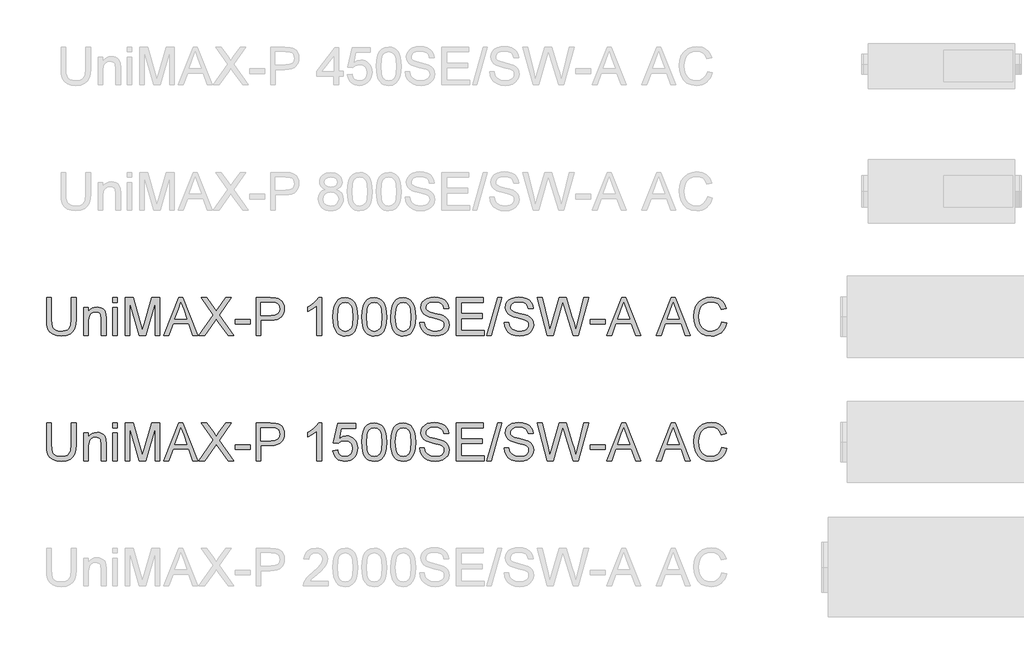
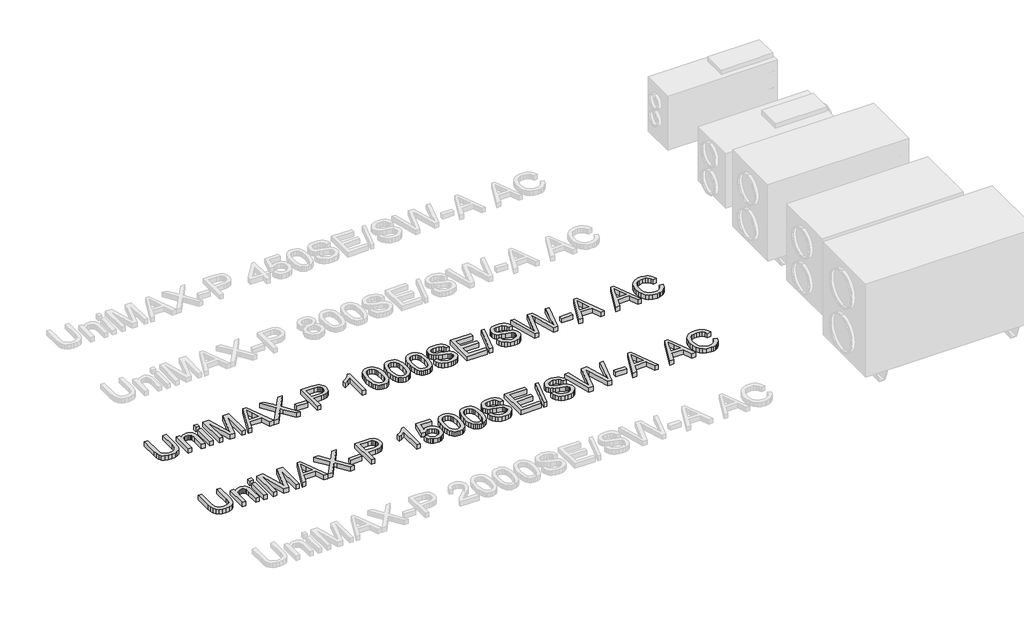
# One storey, part 23 of 74: 2 proxies.
"""IFC4 building model written with IfcOpenShell, lengths in millimetres."""

from ifc_helpers import new_model, si_unit, origin, origin_with_axes, place, context, project, spatial, polyline, outline, extrude, element, save

model = new_model("IFC4")

# Units and contexts
model_context = context("Model", 3, world=origin())
ifc_project = project(units=[si_unit("LENGTHUNIT", "METRE", prefix="MILLI")], contexts=[model_context])

# Site, building, storey
site = spatial("IfcSite", under=ifc_project)
building = spatial("IfcBuilding", under=site)
storey = spatial("IfcBuildingStorey", under=building, Elevation=0.0)

# Proxies
placement = place(None, origin())
element("IfcBuildingElementProxy", 1, Name="Generic Models", at=placement, inside=storey, context=model_context, shape_type="SweptSolid", body=[
    extrude(outline(polyline([(23020.9746871, -29731.9528304), (23058.6458034, -29731.9528304), (23058.6458034, -29905.8138613), (23056.0890235, -29946.5292011), (23048.4186839, -29977.8819441), (23034.0896802, -30002.0701853), (23011.556908, -30021.2920196), (22980.765185, -30033.8459926), (22941.6593289, -30038.0306503), (22903.4087985, -30034.3886186), (22872.8286076, -30023.4625233), (22849.9095594, -30005.6294436), (22834.6424566, -29981.2664585), (22826.061609, -29948.5893403), (22823.2013265, -29905.8138613), (22823.2013265, -29731.9528304), (22860.8724428, -29731.9528304), (22860.8724428, -29904.4894861), (22862.7302469, -29938.3438267), (22868.3036591, -29961.9158655), (22878.4020199, -29978.2406291), (22893.8346696, -29990.3531438), (22913.9578147, -29997.8579365), (22938.1276618, -30000.359534), (22976.4425716, -29995.4115212), (22990.7853709, -29989.2265052), (23001.9183998, -29980.5674827), (23010.2555255, -29968.3905887), (23016.2106153, -29951.6519579), (23020.9746871, -29904.4894861), (23020.9746871, -29731.9528304)])), origin_with_axes(), (0.0, 0.0, 1.0), 50.0),
    extrude(outline(polyline([(23119.8613674, -30033.3217608), (23119.8613674, -29812.0039525), (23157.5324837, -29812.0039525), (23157.5324837, -29842.9060401), (23170.6198857, -29827.3262376), (23186.3376439, -29816.1978072), (23204.6857584, -29809.520749), (23225.6642292, -29807.295063), (23244.2330729, -29809.0884877), (23261.2384182, -29814.4687619), (23275.4202691, -29822.7645009), (23285.5186298, -29833.30432), (23296.8126071, -29861.0058343), (23298.7991699, -29897.4261518), (23298.7991699, -30033.3217608), (23261.1280536, -30033.3217608), (23261.1280536, -29902.5029233), (23256.787046, -29869.1728146), (23250.7813724, -29859.2491977), (23241.4463668, -29851.551267), (23229.4810049, -29846.6124512), (23215.5842626, -29844.9661793), (23193.5205399, -29848.6633933), (23174.7125729, -29859.7550355), (23167.1962839, -29868.8095311), (23161.827506, -29881.1841617), (23157.5324837, -29915.8938279), (23157.5324837, -30033.3217608), (23119.8613674, -30033.3217608)])), origin_with_axes(), (0.0, 0.0, 1.0), 50.0),
    extrude(outline(polyline([(23350.5969548, -30033.3217608), (23350.5969548, -29812.0039525), (23388.2680711, -29812.0039525), (23388.2680711, -30033.3217608), (23350.5969548, -30033.3217608)])), origin_with_axes(), (0.0, 0.0, 1.0), 50.0),
    extrude(outline(polyline([(23350.5969548, -29769.6239467), (23350.5969548, -29731.9528304), (23388.2680711, -29731.9528304), (23388.2680711, -29769.6239467), (23350.5969548, -29769.6239467)])), origin_with_axes(), (0.0, 0.0, 1.0), 50.0),
    extrude(outline(polyline([(23449.4836351, -30033.3217608), (23449.4836351, -29731.9528304), (23514.3044426, -29731.9528304), (23575.961465, -29944.3678944), (23588.3958765, -29988.734463), (23601.8603575, -29940.6890744), (23662.4873103, -29731.9528304), (23727.3081178, -29731.9528304), (23727.3081178, -30033.3217608), (23689.6370015, -30033.3217608), (23689.6370015, -29769.6239467), (23613.9268869, -30033.3217608), (23562.864866, -30033.3217608), (23487.1547514, -29769.6239467), (23487.1547514, -30033.3217608), (23449.4836351, -30033.3217608)])), origin_with_axes(), (0.0, 0.0, 1.0), 50.0),
    extrude(outline(polyline([(23758.136629, -30033.3217608), (23878.4340415, -29731.9528304), (23910.5133514, -29731.9528304), (24030.8107639, -30033.3217608), (23991.005932, -30033.3217608), (23956.4986008, -29939.14397), (23832.3752157, -29939.14397), (23797.9414609, -30033.3217608), (23758.136629, -30033.3217608)]), holes=[polyline([(23846.2075787, -29901.4728537), (23942.7398142, -29901.4728537), (23915.590123, -29827.3814199), (23894.4736965, -29769.6239467), (23875.7117147, -29820.9066968), (23846.2075787, -29901.4728537)])]), origin_with_axes(), (0.0, 0.0, 1.0), 50.0),
    extrude(outline(polyline([(24038.0948274, -30033.3217608), (24154.2719614, -29869.0992382), (24056.9303855, -29731.9528304), (24102.1062945, -29731.9528304), (24156.9207118, -29809.1344729), (24175.388388, -29839.2272201), (24197.0198493, -29808.6194381), (24251.2456554, -29731.9528304), (24297.083752, -29731.9528304), (24199.7421761, -29869.5406965), (24315.9193101, -30033.3217608), (24270.7434011, -30033.3217608), (24193.3410293, -29924.1343846), (24177.2277979, -29901.4728537), (24159.4958858, -29926.3416766), (24083.932924, -30033.3217608), (24038.0948274, -30033.3217608)])), origin_with_axes(), (0.0, 0.0, 1.0), 50.0),
    extrude(outline(polyline([(24330.0459787, -29943.8528596), (24330.0459787, -29906.1817433), (24447.7682172, -29906.1817433), (24447.7682172, -29943.8528596), (24330.0459787, -29943.8528596)])), origin_with_axes(), (0.0, 0.0, 1.0), 50.0),
    extrude(outline(polyline([(24494.8571126, -30033.3217608), (24494.8571126, -29731.9528304), (24606.5460863, -29731.9528304), (24651.5748425, -29734.8223099), (24671.6520024, -29740.18419), (24688.179101, -29748.9121903), (24701.4872322, -29761.4017841), (24711.9074897, -29778.0484443), (24718.6397302, -29797.6841458), (24720.8838104, -29819.1408632), (24719.3685965, -29837.640729), (24714.8229545, -29854.6598698), (24707.2468847, -29870.1982856), (24696.6403869, -29884.2559764), (24682.0791577, -29895.9086386), (24662.6388935, -29904.2319687), (24638.3195944, -29909.2259668), (24609.1212603, -29910.8906328), (24532.5282289, -29910.8906328), (24532.5282289, -30033.3217608), (24494.8571126, -30033.3217608)]), holes=[polyline([(24532.5282289, -29873.2195165), (24611.3285523, -29873.2195165), (24644.7322374, -29869.7614257), (24666.8051571, -29859.3871535), (24679.1108099, -29842.7404932), (24683.2126941, -29820.4652384), (24680.79387, -29803.5426666), (24673.5373976, -29789.2688452), (24662.3445879, -29778.5266909), (24648.1167518, -29772.1991206), (24610.4456355, -29769.6239467), (24532.5282289, -29769.6239467), (24532.5282289, -29873.2195165)])]), origin_with_axes(), (0.0, 0.0, 1.0), 50.0),
    extrude(outline(polyline([(25017.5438513, -30033.3217608), (24979.872735, -30033.3217608), (24979.872735, -29798.4658951), (24944.1881815, -29823.8865409), (24904.5305024, -29842.9060401), (24904.5305024, -29807.295063), (24934.1174119, -29791.2002257), (24959.7495899, -29772.0519678), (24979.9555085, -29751.6896994), (24993.2636396, -29731.9528304), (25017.5438513, -29731.9528304), (25017.5438513, -30033.3217608)])), origin_with_axes(), (0.0, 0.0, 1.0), 50.0),
    extrude(outline(polyline([(25107.0127526, -29885.0653167), (25109.7810646, -29836.8267901), (25118.0860006, -29798.3555305), (25131.8447872, -29769.0629266), (25150.974651, -29748.3603673), (25175.6135476, -29736.0547146), (25205.8994329, -29731.9528304), (25229.1127868, -29734.3808515), (25249.8981195, -29741.664915), (25267.2805438, -29753.5199123), (25280.2851723, -29769.6607349), (25290.1076216, -29789.9494269), (25297.9435081, -29814.2480327), (25303.0754619, -29845.104135), (25304.7861132, -29885.0653167), (25302.0453923, -29933.0279319), (25293.8232297, -29971.407221), (25280.1472165, -30000.727416), (25261.0449439, -30021.5127488), (25236.350865, -30033.9011749), (25205.8994329, -30038.0306503), (25185.1508883, -30036.2372256), (25166.7567886, -30030.8569514), (25150.7171336, -30021.8898278), (25137.0319234, -30009.3358547), (25123.8985361, -29986.6421341), (25114.5175453, -29958.3658043), (25108.8889507, -29924.5068652), (25107.0127526, -29885.0653167)]), holes=[polyline([(25144.6838689, -29884.9917403), (25149.0984528, -29944.2483327), (25154.6166827, -29964.5163314), (25162.3422046, -29978.5441317), (25182.0606796, -29994.9056835), (25205.8994329, -30000.359534), (25229.7381861, -29994.8872894), (25249.4566611, -29978.4705553), (25257.182183, -29964.4197624), (25262.7004129, -29944.1563622), (25267.1149969, -29884.9917403), (25262.8475657, -29827.0687202), (25257.5132768, -29806.8674001), (25250.0452723, -29792.5062068), (25230.3635855, -29775.3445117), (25205.4579745, -29769.6239467), (25181.8767386, -29774.66393), (25162.9308158, -29789.78388), (25154.9477765, -29805.4188648), (25149.2456056, -29826.4985031), (25144.6838689, -29884.9917403)])]), origin_with_axes(), (0.0, 0.0, 1.0), 50.0),
    extrude(outline(polyline([(25337.7483399, -29885.0653167), (25340.5166519, -29836.8267901), (25348.821588, -29798.3555305), (25362.5803746, -29769.0629266), (25381.7102384, -29748.3603673), (25406.349135, -29736.0547146), (25436.6350202, -29731.9528304), (25459.8483741, -29734.3808515), (25480.6337069, -29741.664915), (25498.0161311, -29753.5199123), (25511.0207597, -29769.6607349), (25520.8432089, -29789.9494269), (25528.6790954, -29814.2480327), (25533.8110493, -29845.104135), (25535.5217005, -29885.0653167), (25532.7809797, -29933.0279319), (25524.5588171, -29971.407221), (25510.8828039, -30000.727416), (25491.7805313, -30021.5127488), (25467.0864524, -30033.9011749), (25436.6350202, -30038.0306503), (25415.8864757, -30036.2372256), (25397.4923759, -30030.8569514), (25381.452721, -30021.8898278), (25367.7675107, -30009.3358547), (25354.6341235, -29986.6421341), (25345.2531326, -29958.3658043), (25339.6245381, -29924.5068652), (25337.7483399, -29885.0653167)]), holes=[polyline([(25375.4194562, -29884.9917403), (25379.8340402, -29944.2483327), (25385.3522701, -29964.5163314), (25393.077792, -29978.5441317), (25412.7962669, -29994.9056835), (25436.6350202, -30000.359534), (25460.4737735, -29994.8872894), (25480.1922485, -29978.4705553), (25487.9177704, -29964.4197624), (25493.4360003, -29944.1563622), (25497.8505842, -29884.9917403), (25493.5831531, -29827.0687202), (25488.2488642, -29806.8674001), (25480.7808597, -29792.5062068), (25461.0991729, -29775.3445117), (25436.1935618, -29769.6239467), (25412.612326, -29774.66393), (25393.6664032, -29789.78388), (25385.6833639, -29805.4188648), (25379.981193, -29826.4985031), (25375.4194562, -29884.9917403)])]), origin_with_axes(), (0.0, 0.0, 1.0), 50.0),
    extrude(outline(polyline([(25568.4839273, -29885.0653167), (25571.2522393, -29836.8267901), (25579.5571754, -29798.3555305), (25593.315962, -29769.0629266), (25612.4458257, -29748.3603673), (25637.0847224, -29736.0547146), (25667.3706076, -29731.9528304), (25690.5839615, -29734.3808515), (25711.3692942, -29741.664915), (25728.7517185, -29753.5199123), (25741.756347, -29769.6607349), (25751.5787963, -29789.9494269), (25759.4146828, -29814.2480327), (25764.5466366, -29845.104135), (25766.2572879, -29885.0653167), (25763.5165671, -29933.0279319), (25755.2944045, -29971.407221), (25741.6183913, -30000.727416), (25722.5161187, -30021.5127488), (25697.8220398, -30033.9011749), (25667.3706076, -30038.0306503), (25646.6220631, -30036.2372256), (25628.2279633, -30030.8569514), (25612.1883083, -30021.8898278), (25598.5030981, -30009.3358547), (25585.3697109, -29986.6421341), (25575.98872, -29958.3658043), (25570.3601255, -29924.5068652), (25568.4839273, -29885.0653167)]), holes=[polyline([(25606.1550436, -29884.9917403), (25610.5696276, -29944.2483327), (25616.0878575, -29964.5163314), (25623.8133794, -29978.5441317), (25643.5318543, -29994.9056835), (25667.3706076, -30000.359534), (25691.2093609, -29994.8872894), (25710.9278358, -29978.4705553), (25718.6533577, -29964.4197624), (25724.1715877, -29944.1563622), (25728.5861716, -29884.9917403), (25724.3187405, -29827.0687202), (25718.9844515, -29806.8674001), (25711.516447, -29792.5062068), (25691.8347603, -29775.3445117), (25666.9291492, -29769.6239467), (25643.3479133, -29774.66393), (25624.4019906, -29789.78388), (25616.4189513, -29805.4188648), (25610.7167804, -29826.4985031), (25606.1550436, -29884.9917403)])]), origin_with_axes(), (0.0, 0.0, 1.0), 50.0),
    extrude(outline(polyline([(25799.2195147, -29929.726191), (25836.890631, -29929.726191), (25841.2132444, -29950.6310853), (25849.0307368, -29967.4340955), (25861.226025, -29980.7698178), (25878.6820256, -29991.2728488), (25900.0191814, -29998.0878627), (25923.8579346, -30000.359534), (25944.8456025, -29998.6396857), (25963.2213081, -29993.4801407), (25978.1113319, -29985.3131604), (25988.641954, -29974.5710062), (25994.905145, -29962.2377623), (25996.9928753, -29949.2975131), (25995.4293768, -29936.6883577), (25990.7388814, -29925.7898536), (25981.2107377, -29916.4916362), (25965.1342945, -29908.6833408), (25910.283089, -29894.2991548), (25874.2766387, -29884.7802082), (25851.2380288, -29875.7211141), (25832.4852441, -29863.0475793), (25819.195507, -29847.688506), (25811.2768471, -29829.974988), (25808.6372938, -29810.2381189), (25811.9022465, -29788.1743963), (25821.6971046, -29767.6005957), (25837.7643507, -29750.1629891), (25859.8464675, -29737.5078485), (25886.3523652, -29729.8099177), (25915.6909544, -29727.2439408), (25947.4759587, -29729.9294794), (25975.2878376, -29737.9860951), (25998.1333095, -29751.248241), (26015.0190931, -29769.5503703), (26025.706065, -29791.7520487), (26029.9551021, -29816.712842), (25992.2839858, -29816.712842), (25985.3678042, -29794.2352521), (25970.94683, -29778.0116561), (25948.4140578, -29768.1892069), (25917.1624823, -29764.9150571), (25885.1751429, -29768.1524187), (25863.2309818, -29777.8645034), (25850.539053, -29792.1567189), (25846.3084101, -29809.1344729), (25849.3066483, -29823.6106295), (25858.3013631, -29835.2540946), (25879.5649424, -29845.6651551), (25919.8112327, -29856.2969447), (25961.34511, -29866.3953055), (25986.4714502, -29875.2060793), (26007.9465617, -29888.8728954), (26022.9285559, -29905.7402849), (26031.7301327, -29925.6243067), (26034.6639916, -29948.3410199), (26031.2886743, -29971.5635709), (26021.1627224, -29993.4065643), (26004.7000031, -30012.2053343), (25982.3143837, -30026.2952147), (25955.3946187, -30035.0967914), (25925.3294626, -30038.0306503), (25888.4217015, -30034.8668652), (25858.0438457, -30025.3755097), (25833.8464075, -30009.5197957), (25815.4798989, -29987.262935), (25803.6892809, -29960.150032), (25799.2195147, -29929.726191)])), origin_with_axes(), (0.0, 0.0, 1.0), 50.0),
    extrude(outline(polyline([(26091.1706661, -30033.3217608), (26091.1706661, -29731.9528304), (26307.7795848, -29731.9528304), (26307.7795848, -29769.6239467), (26128.8417824, -29769.6239467), (26128.8417824, -29859.0928479), (26298.3618057, -29859.0928479), (26298.3618057, -29896.7639642), (26128.8417824, -29896.7639642), (26128.8417824, -29995.6506445), (26312.4884744, -29995.6506445), (26312.4884744, -30033.3217608), (26091.1706661, -30033.3217608)])), origin_with_axes(), (0.0, 0.0, 1.0), 50.0),
    extrude(outline(polyline([(26336.032922, -30033.3217608), (26420.7929337, -29731.9528304), (26454.7852301, -29731.9528304), (26370.0252184, -30033.3217608), (26336.032922, -30033.3217608)])), origin_with_axes(), (0.0, 0.0, 1.0), 50.0),
    extrude(outline(polyline([(26472.5907187, -29929.726191), (26510.261835, -29929.726191), (26514.5844484, -29950.6310853), (26522.4019408, -29967.4340955), (26534.5972289, -29980.7698178), (26552.0532296, -29991.2728488), (26573.3903853, -29998.0878627), (26597.2291386, -30000.359534), (26618.2168064, -29998.6396857), (26636.5925121, -29993.4801407), (26651.4825359, -29985.3131604), (26662.013158, -29974.5710062), (26668.2763489, -29962.2377623), (26670.3640793, -29949.2975131), (26668.8005808, -29936.6883577), (26664.1100853, -29925.7898536), (26654.5819417, -29916.4916362), (26638.5054985, -29908.6833408), (26583.654293, -29894.2991548), (26547.6478427, -29884.7802082), (26524.6092328, -29875.7211141), (26505.8564481, -29863.0475793), (26492.566711, -29847.688506), (26484.648051, -29829.974988), (26482.0084977, -29810.2381189), (26485.2734504, -29788.1743963), (26495.0683086, -29767.6005957), (26511.1355547, -29750.1629891), (26533.2176715, -29737.5078485), (26559.7235692, -29729.8099177), (26589.0621583, -29727.2439408), (26620.8471627, -29729.9294794), (26648.6590415, -29737.9860951), (26671.5045134, -29751.248241), (26688.390297, -29769.5503703), (26699.077269, -29791.7520487), (26703.326306, -29816.712842), (26665.6551897, -29816.712842), (26658.7390082, -29794.2352521), (26644.318034, -29778.0116561), (26621.7852618, -29768.1892069), (26590.5336863, -29764.9150571), (26558.5463468, -29768.1524187), (26536.6021858, -29777.8645034), (26523.910257, -29792.1567189), (26519.679614, -29809.1344729), (26522.6778523, -29823.6106295), (26531.6725671, -29835.2540946), (26552.9361464, -29845.6651551), (26593.1824367, -29856.2969447), (26634.7163139, -29866.3953055), (26659.8426542, -29875.2060793), (26681.3177657, -29888.8728954), (26696.2997599, -29905.7402849), (26705.1013367, -29925.6243067), (26708.0351956, -29948.3410199), (26704.6598783, -29971.5635709), (26694.5339263, -29993.4065643), (26678.0712071, -30012.2053343), (26655.6855877, -30026.2952147), (26628.7658227, -30035.0967914), (26598.7006666, -30038.0306503), (26561.7929054, -30034.8668652), (26531.4150497, -30025.3755097), (26507.2176115, -30009.5197957), (26488.8511028, -29987.262935), (26477.0604849, -29960.150032), (26472.5907187, -29929.726191)])), origin_with_axes(), (0.0, 0.0, 1.0), 50.0),
    extrude(outline(polyline([(26818.4733705, -30033.3217608), (26736.2885328, -29731.9528304), (26775.1368715, -29731.9528304), (26822.8143781, -29930.0204966), (26837.5296579, -29991.1624842), (26853.2750073, -29937.0838309), (26913.0190433, -29731.9528304), (26969.0106829, -29731.9528304), (27012.4207584, -29880.6507328), (27031.0171932, -29935.8330321), (27044.7207976, -29991.1624842), (27058.994619, -29931.7863301), (27107.1135839, -29731.9528304), (27145.9619226, -29731.9528304), (27063.7035085, -30033.3217608), (27023.4572182, -30033.3217608), (26951.2051944, -29800.8203398), (26941.1252277, -29768.3731479), (26929.7944623, -29807.4422158), (26863.9435851, -30033.3217608), (26818.4733705, -30033.3217608)])), origin_with_axes(), (0.0, 0.0, 1.0), 50.0),
    extrude(outline(polyline([(27160.0885912, -29943.8528596), (27160.0885912, -29906.1817433), (27277.8108297, -29906.1817433), (27277.8108297, -29943.8528596), (27160.0885912, -29943.8528596)])), origin_with_axes(), (0.0, 0.0, 1.0), 50.0),
    extrude(outline(polyline([(27289.8037827, -30033.3217608), (27410.1011952, -29731.9528304), (27442.1805051, -29731.9528304), (27562.4779176, -30033.3217608), (27522.6730857, -30033.3217608), (27488.1657545, -29939.14397), (27364.0423694, -29939.14397), (27329.6086146, -30033.3217608), (27289.8037827, -30033.3217608)]), holes=[polyline([(27377.8747324, -29901.4728537), (27474.4069679, -29901.4728537), (27447.2572767, -29827.3814199), (27426.1408502, -29769.6239467), (27407.3788684, -29820.9066968), (27377.8747324, -29901.4728537)])]), origin_with_axes(), (0.0, 0.0, 1.0), 50.0),
    extrude(outline(polyline([(27685.350504, -30033.3217608), (27805.6479164, -29731.9528304), (27837.7272264, -29731.9528304), (27958.0246388, -30033.3217608), (27918.2198069, -30033.3217608), (27883.7124758, -29939.14397), (27759.5890906, -29939.14397), (27725.1553358, -30033.3217608), (27685.350504, -30033.3217608)]), holes=[polyline([(27773.4214536, -29901.4728537), (27869.9536891, -29901.4728537), (27842.8039979, -29827.3814199), (27821.6875714, -29769.6239467), (27802.9255896, -29820.9066968), (27773.4214536, -29901.4728537)])]), origin_with_axes(), (0.0, 0.0, 1.0), 50.0),
    extrude(outline(polyline([(28210.1709583, -29926.1945238), (28247.8420746, -29935.9066085), (28240.3878657, -29959.3337938), (28230.4596503, -29979.8041276), (28218.0574285, -29997.3176098), (28203.1812004, -30011.8742405), (28186.1666581, -30023.3176698), (28167.349494, -30031.4915479), (28146.7297082, -30036.3958747), (28124.3073006, -30038.0306503), (28080.6121166, -30033.0826375), (28045.9116474, -30018.238599), (28019.3137792, -29994.0135696), (27999.926398, -29960.9225842), (27988.0897948, -29922.0190632), (27984.1442604, -29880.3564272), (27988.6048296, -29836.4129229), (28001.9865372, -29798.4658951), (28023.5904074, -29767.7201573), (28052.7174643, -29745.3805232), (28087.2615837, -29731.7780864), (28125.116641, -29727.2439408), (28166.420592, -29733.1116586), (28184.3893282, -29740.4463059), (28200.5692382, -29750.7148121), (28214.6936076, -29763.6458642), (28226.4957218, -29778.9681493), (28243.133185, -29816.7864184), (28205.4620687, -29825.7627391), (28192.4022579, -29798.2911511), (28174.5599811, -29779.4463959), (28151.7145092, -29768.5478918), (28123.645113, -29764.9150571), (28091.2898915, -29768.943365), (28064.7104174, -29781.0282885), (28044.541287, -29799.9006349), (28031.4170968, -29824.2912111), (28024.2158068, -29851.8639667), (28021.8153767, -29880.2828508), (28024.6572652, -29915.0844876), (28033.1829304, -29945.1772348), (28047.7142692, -29969.4114612), (28068.5731783, -29986.6375356), (28093.579957, -29996.9290344), (28120.5549042, -30000.359534), (28151.9996178, -29995.6874327), (28178.2020129, -29981.6711287), (28197.9848672, -29958.4577748), (28210.1709583, -29926.1945238)])), origin_with_axes(), (0.0, 0.0, 1.0), 50.0),
])
element("IfcBuildingElementProxy", 2, Name="Generic Models", at=placement, inside=storey, context=model_context, shape_type="SweptSolid", body=[
    extrude(outline(polyline([(23020.9746871, -30731.9528304), (23058.6458034, -30731.9528304), (23058.6458034, -30905.8138613), (23056.0890235, -30946.5292011), (23048.4186839, -30977.8819441), (23034.0896802, -31002.0701853), (23011.556908, -31021.2920196), (22980.765185, -31033.8459926), (22941.6593289, -31038.0306503), (22903.4087985, -31034.3886186), (22872.8286076, -31023.4625233), (22849.9095594, -31005.6294436), (22834.6424566, -30981.2664585), (22826.061609, -30948.5893403), (22823.2013265, -30905.8138613), (22823.2013265, -30731.9528304), (22860.8724428, -30731.9528304), (22860.8724428, -30904.4894861), (22862.7302469, -30938.3438267), (22868.3036591, -30961.9158655), (22878.4020199, -30978.2406291), (22893.8346696, -30990.3531438), (22913.9578147, -30997.8579365), (22938.1276618, -31000.359534), (22976.4425716, -30995.4115212), (22990.7853709, -30989.2265052), (23001.9183998, -30980.5674827), (23010.2555255, -30968.3905887), (23016.2106153, -30951.6519579), (23020.9746871, -30904.4894861), (23020.9746871, -30731.9528304)])), origin_with_axes(), (0.0, 0.0, 1.0), 50.0),
    extrude(outline(polyline([(23119.8613674, -31033.3217608), (23119.8613674, -30812.0039525), (23157.5324837, -30812.0039525), (23157.5324837, -30842.9060401), (23170.6198857, -30827.3262376), (23186.3376439, -30816.1978072), (23204.6857584, -30809.520749), (23225.6642292, -30807.295063), (23244.2330729, -30809.0884877), (23261.2384182, -30814.4687619), (23275.4202691, -30822.7645009), (23285.5186298, -30833.30432), (23296.8126071, -30861.0058343), (23298.7991699, -30897.4261518), (23298.7991699, -31033.3217608), (23261.1280536, -31033.3217608), (23261.1280536, -30902.5029233), (23256.787046, -30869.1728146), (23250.7813724, -30859.2491977), (23241.4463668, -30851.551267), (23229.4810049, -30846.6124512), (23215.5842626, -30844.9661793), (23193.5205399, -30848.6633933), (23174.7125729, -30859.7550355), (23167.1962839, -30868.8095311), (23161.827506, -30881.1841617), (23157.5324837, -30915.8938279), (23157.5324837, -31033.3217608), (23119.8613674, -31033.3217608)])), origin_with_axes(), (0.0, 0.0, 1.0), 50.0),
    extrude(outline(polyline([(23350.5969548, -31033.3217608), (23350.5969548, -30812.0039525), (23388.2680711, -30812.0039525), (23388.2680711, -31033.3217608), (23350.5969548, -31033.3217608)])), origin_with_axes(), (0.0, 0.0, 1.0), 50.0),
    extrude(outline(polyline([(23350.5969548, -30769.6239467), (23350.5969548, -30731.9528304), (23388.2680711, -30731.9528304), (23388.2680711, -30769.6239467), (23350.5969548, -30769.6239467)])), origin_with_axes(), (0.0, 0.0, 1.0), 50.0),
    extrude(outline(polyline([(23449.4836351, -31033.3217608), (23449.4836351, -30731.9528304), (23514.3044426, -30731.9528304), (23575.961465, -30944.3678944), (23588.3958765, -30988.734463), (23601.8603575, -30940.6890744), (23662.4873103, -30731.9528304), (23727.3081178, -30731.9528304), (23727.3081178, -31033.3217608), (23689.6370015, -31033.3217608), (23689.6370015, -30769.6239467), (23613.9268869, -31033.3217608), (23562.864866, -31033.3217608), (23487.1547514, -30769.6239467), (23487.1547514, -31033.3217608), (23449.4836351, -31033.3217608)])), origin_with_axes(), (0.0, 0.0, 1.0), 50.0),
    extrude(outline(polyline([(23758.136629, -31033.3217608), (23878.4340415, -30731.9528304), (23910.5133514, -30731.9528304), (24030.8107639, -31033.3217608), (23991.005932, -31033.3217608), (23956.4986008, -30939.14397), (23832.3752157, -30939.14397), (23797.9414609, -31033.3217608), (23758.136629, -31033.3217608)]), holes=[polyline([(23846.2075787, -30901.4728537), (23942.7398142, -30901.4728537), (23915.590123, -30827.3814199), (23894.4736965, -30769.6239467), (23875.7117147, -30820.9066968), (23846.2075787, -30901.4728537)])]), origin_with_axes(), (0.0, 0.0, 1.0), 50.0),
    extrude(outline(polyline([(24038.0948274, -31033.3217608), (24154.2719614, -30869.0992382), (24056.9303855, -30731.9528304), (24102.1062945, -30731.9528304), (24156.9207118, -30809.1344729), (24175.388388, -30839.2272201), (24197.0198493, -30808.6194381), (24251.2456554, -30731.9528304), (24297.083752, -30731.9528304), (24199.7421761, -30869.5406965), (24315.9193101, -31033.3217608), (24270.7434011, -31033.3217608), (24193.3410293, -30924.1343846), (24177.2277979, -30901.4728537), (24159.4958858, -30926.3416766), (24083.932924, -31033.3217608), (24038.0948274, -31033.3217608)])), origin_with_axes(), (0.0, 0.0, 1.0), 50.0),
    extrude(outline(polyline([(24330.0459787, -30943.8528596), (24330.0459787, -30906.1817433), (24447.7682172, -30906.1817433), (24447.7682172, -30943.8528596), (24330.0459787, -30943.8528596)])), origin_with_axes(), (0.0, 0.0, 1.0), 50.0),
    extrude(outline(polyline([(24494.8571126, -31033.3217608), (24494.8571126, -30731.9528304), (24606.5460863, -30731.9528304), (24651.5748425, -30734.8223099), (24671.6520024, -30740.18419), (24688.179101, -30748.9121903), (24701.4872322, -30761.4017841), (24711.9074897, -30778.0484443), (24718.6397302, -30797.6841458), (24720.8838104, -30819.1408632), (24719.3685965, -30837.640729), (24714.8229545, -30854.6598698), (24707.2468847, -30870.1982856), (24696.6403869, -30884.2559764), (24682.0791577, -30895.9086386), (24662.6388935, -30904.2319687), (24638.3195944, -30909.2259668), (24609.1212603, -30910.8906328), (24532.5282289, -30910.8906328), (24532.5282289, -31033.3217608), (24494.8571126, -31033.3217608)]), holes=[polyline([(24532.5282289, -30873.2195165), (24611.3285523, -30873.2195165), (24644.7322374, -30869.7614257), (24666.8051571, -30859.3871535), (24679.1108099, -30842.7404932), (24683.2126941, -30820.4652384), (24680.79387, -30803.5426666), (24673.5373976, -30789.2688452), (24662.3445879, -30778.5266909), (24648.1167518, -30772.1991206), (24610.4456355, -30769.6239467), (24532.5282289, -30769.6239467), (24532.5282289, -30873.2195165)])]), origin_with_axes(), (0.0, 0.0, 1.0), 50.0),
    extrude(outline(polyline([(25017.5438513, -31033.3217608), (24979.872735, -31033.3217608), (24979.872735, -30798.4658951), (24944.1881815, -30823.8865409), (24904.5305024, -30842.9060401), (24904.5305024, -30807.295063), (24934.1174119, -30791.2002257), (24959.7495899, -30772.0519678), (24979.9555085, -30751.6896994), (24993.2636396, -30731.9528304), (25017.5438513, -30731.9528304), (25017.5438513, -31033.3217608)])), origin_with_axes(), (0.0, 0.0, 1.0), 50.0),
    extrude(outline(polyline([(25107.0127526, -30953.2706387), (25144.6838689, -30948.5617491), (25151.6000504, -30971.1772948), (25163.6665798, -30987.3732996), (25180.8282749, -30997.1129754), (25203.0299533, -31000.359534), (25230.0324917, -30995.8437825), (25250.2660015, -30982.2965281), (25262.902748, -30961.2812691), (25267.1149969, -30934.3615041), (25263.1694625, -30909.0144346), (25251.3328593, -30889.6270535), (25231.5132168, -30877.3214007), (25203.6185645, -30873.2195165), (25185.3440264, -30874.8565914), (25170.5459731, -30879.767816), (25149.3927584, -30896.7639642), (25111.7216421, -30892.0550747), (25144.6838689, -30736.6617199), (25290.6594446, -30736.6617199), (25290.6594446, -30774.3328362), (25175.1444981, -30774.3328362), (25159.0312667, -30857.3270143), (25185.9418346, -30840.9930537), (25214.1399896, -30835.5484002), (25232.4858048, -30837.2360588), (25249.3370994, -30842.2990348), (25264.6938735, -30850.7373281), (25278.5561269, -30862.5509386), (25290.0317459, -30877.0178981), (25298.2286166, -30893.416238), (25303.146739, -30911.7459584), (25304.7861132, -30932.0070593), (25298.8816071, -30969.6781756), (25291.5009746, -30986.4719887), (25281.1680891, -31001.9046384), (25265.5147102, -31017.7097686), (25247.2493691, -31028.9991474), (25226.3720659, -31035.7727746), (25202.8828005, -31038.0306503), (25165.8830688, -31032.2273119), (25150.2043981, -31024.9731388), (25136.406524, -31014.8172964), (25124.9263065, -31002.2656226), (25116.2006054, -30987.823955), (25107.0127526, -30953.2706387)])), origin_with_axes(), (0.0, 0.0, 1.0), 50.0),
    extrude(outline(polyline([(25337.7483399, -30885.0653167), (25340.5166519, -30836.8267901), (25348.821588, -30798.3555305), (25362.5803746, -30769.0629266), (25381.7102384, -30748.3603673), (25406.349135, -30736.0547146), (25436.6350202, -30731.9528304), (25459.8483741, -30734.3808515), (25480.6337069, -30741.664915), (25498.0161311, -30753.5199123), (25511.0207597, -30769.6607349), (25520.8432089, -30789.9494269), (25528.6790954, -30814.2480327), (25533.8110493, -30845.104135), (25535.5217005, -30885.0653167), (25532.7809797, -30933.0279319), (25524.5588171, -30971.407221), (25510.8828039, -31000.727416), (25491.7805313, -31021.5127488), (25467.0864524, -31033.9011749), (25436.6350202, -31038.0306503), (25415.8864757, -31036.2372256), (25397.4923759, -31030.8569514), (25381.452721, -31021.8898278), (25367.7675107, -31009.3358547), (25354.6341235, -30986.6421341), (25345.2531326, -30958.3658043), (25339.6245381, -30924.5068652), (25337.7483399, -30885.0653167)]), holes=[polyline([(25375.4194562, -30884.9917403), (25379.8340402, -30944.2483327), (25385.3522701, -30964.5163314), (25393.077792, -30978.5441317), (25412.7962669, -30994.9056835), (25436.6350202, -31000.359534), (25460.4737735, -30994.8872894), (25480.1922485, -30978.4705553), (25487.9177704, -30964.4197624), (25493.4360003, -30944.1563622), (25497.8505842, -30884.9917403), (25493.5831531, -30827.0687202), (25488.2488642, -30806.8674001), (25480.7808597, -30792.5062068), (25461.0991729, -30775.3445117), (25436.1935618, -30769.6239467), (25412.612326, -30774.66393), (25393.6664032, -30789.78388), (25385.6833639, -30805.4188648), (25379.981193, -30826.4985031), (25375.4194562, -30884.9917403)])]), origin_with_axes(), (0.0, 0.0, 1.0), 50.0),
    extrude(outline(polyline([(25568.4839273, -30885.0653167), (25571.2522393, -30836.8267901), (25579.5571754, -30798.3555305), (25593.315962, -30769.0629266), (25612.4458257, -30748.3603673), (25637.0847224, -30736.0547146), (25667.3706076, -30731.9528304), (25690.5839615, -30734.3808515), (25711.3692942, -30741.664915), (25728.7517185, -30753.5199123), (25741.756347, -30769.6607349), (25751.5787963, -30789.9494269), (25759.4146828, -30814.2480327), (25764.5466366, -30845.104135), (25766.2572879, -30885.0653167), (25763.5165671, -30933.0279319), (25755.2944045, -30971.407221), (25741.6183913, -31000.727416), (25722.5161187, -31021.5127488), (25697.8220398, -31033.9011749), (25667.3706076, -31038.0306503), (25646.6220631, -31036.2372256), (25628.2279633, -31030.8569514), (25612.1883083, -31021.8898278), (25598.5030981, -31009.3358547), (25585.3697109, -30986.6421341), (25575.98872, -30958.3658043), (25570.3601255, -30924.5068652), (25568.4839273, -30885.0653167)]), holes=[polyline([(25606.1550436, -30884.9917403), (25610.5696276, -30944.2483327), (25616.0878575, -30964.5163314), (25623.8133794, -30978.5441317), (25643.5318543, -30994.9056835), (25667.3706076, -31000.359534), (25691.2093609, -30994.8872894), (25710.9278358, -30978.4705553), (25718.6533577, -30964.4197624), (25724.1715877, -30944.1563622), (25728.5861716, -30884.9917403), (25724.3187405, -30827.0687202), (25718.9844515, -30806.8674001), (25711.516447, -30792.5062068), (25691.8347603, -30775.3445117), (25666.9291492, -30769.6239467), (25643.3479133, -30774.66393), (25624.4019906, -30789.78388), (25616.4189513, -30805.4188648), (25610.7167804, -30826.4985031), (25606.1550436, -30884.9917403)])]), origin_with_axes(), (0.0, 0.0, 1.0), 50.0),
    extrude(outline(polyline([(25799.2195147, -30929.726191), (25836.890631, -30929.726191), (25841.2132444, -30950.6310853), (25849.0307368, -30967.4340955), (25861.226025, -30980.7698178), (25878.6820256, -30991.2728488), (25900.0191814, -30998.0878627), (25923.8579346, -31000.359534), (25944.8456025, -30998.6396857), (25963.2213081, -30993.4801407), (25978.1113319, -30985.3131604), (25988.641954, -30974.5710062), (25994.905145, -30962.2377623), (25996.9928753, -30949.2975131), (25995.4293768, -30936.6883577), (25990.7388814, -30925.7898536), (25981.2107377, -30916.4916362), (25965.1342945, -30908.6833408), (25910.283089, -30894.2991548), (25874.2766387, -30884.7802082), (25851.2380288, -30875.7211141), (25832.4852441, -30863.0475793), (25819.195507, -30847.688506), (25811.2768471, -30829.974988), (25808.6372938, -30810.2381189), (25811.9022465, -30788.1743963), (25821.6971046, -30767.6005957), (25837.7643507, -30750.1629891), (25859.8464675, -30737.5078485), (25886.3523652, -30729.8099177), (25915.6909544, -30727.2439408), (25947.4759587, -30729.9294794), (25975.2878376, -30737.9860951), (25998.1333095, -30751.248241), (26015.0190931, -30769.5503703), (26025.706065, -30791.7520487), (26029.9551021, -30816.712842), (25992.2839858, -30816.712842), (25985.3678042, -30794.2352521), (25970.94683, -30778.0116561), (25948.4140578, -30768.1892069), (25917.1624823, -30764.9150571), (25885.1751429, -30768.1524187), (25863.2309818, -30777.8645034), (25850.539053, -30792.1567189), (25846.3084101, -30809.1344729), (25849.3066483, -30823.6106295), (25858.3013631, -30835.2540946), (25879.5649424, -30845.6651551), (25919.8112327, -30856.2969447), (25961.34511, -30866.3953055), (25986.4714502, -30875.2060793), (26007.9465617, -30888.8728954), (26022.9285559, -30905.7402849), (26031.7301327, -30925.6243067), (26034.6639916, -30948.3410199), (26031.2886743, -30971.5635709), (26021.1627224, -30993.4065643), (26004.7000031, -31012.2053343), (25982.3143837, -31026.2952147), (25955.3946187, -31035.0967914), (25925.3294626, -31038.0306503), (25888.4217015, -31034.8668652), (25858.0438457, -31025.3755097), (25833.8464075, -31009.5197957), (25815.4798989, -30987.262935), (25803.6892809, -30960.150032), (25799.2195147, -30929.726191)])), origin_with_axes(), (0.0, 0.0, 1.0), 50.0),
    extrude(outline(polyline([(26091.1706661, -31033.3217608), (26091.1706661, -30731.9528304), (26307.7795848, -30731.9528304), (26307.7795848, -30769.6239467), (26128.8417824, -30769.6239467), (26128.8417824, -30859.0928479), (26298.3618057, -30859.0928479), (26298.3618057, -30896.7639642), (26128.8417824, -30896.7639642), (26128.8417824, -30995.6506445), (26312.4884744, -30995.6506445), (26312.4884744, -31033.3217608), (26091.1706661, -31033.3217608)])), origin_with_axes(), (0.0, 0.0, 1.0), 50.0),
    extrude(outline(polyline([(26336.032922, -31033.3217608), (26420.7929337, -30731.9528304), (26454.7852301, -30731.9528304), (26370.0252184, -31033.3217608), (26336.032922, -31033.3217608)])), origin_with_axes(), (0.0, 0.0, 1.0), 50.0),
    extrude(outline(polyline([(26472.5907187, -30929.726191), (26510.261835, -30929.726191), (26514.5844484, -30950.6310853), (26522.4019408, -30967.4340955), (26534.5972289, -30980.7698178), (26552.0532296, -30991.2728488), (26573.3903853, -30998.0878627), (26597.2291386, -31000.359534), (26618.2168064, -30998.6396857), (26636.5925121, -30993.4801407), (26651.4825359, -30985.3131604), (26662.013158, -30974.5710062), (26668.2763489, -30962.2377623), (26670.3640793, -30949.2975131), (26668.8005808, -30936.6883577), (26664.1100853, -30925.7898536), (26654.5819417, -30916.4916362), (26638.5054985, -30908.6833408), (26583.654293, -30894.2991548), (26547.6478427, -30884.7802082), (26524.6092328, -30875.7211141), (26505.8564481, -30863.0475793), (26492.566711, -30847.688506), (26484.648051, -30829.974988), (26482.0084977, -30810.2381189), (26485.2734504, -30788.1743963), (26495.0683086, -30767.6005957), (26511.1355547, -30750.1629891), (26533.2176715, -30737.5078485), (26559.7235692, -30729.8099177), (26589.0621583, -30727.2439408), (26620.8471627, -30729.9294794), (26648.6590415, -30737.9860951), (26671.5045134, -30751.248241), (26688.390297, -30769.5503703), (26699.077269, -30791.7520487), (26703.326306, -30816.712842), (26665.6551897, -30816.712842), (26658.7390082, -30794.2352521), (26644.318034, -30778.0116561), (26621.7852618, -30768.1892069), (26590.5336863, -30764.9150571), (26558.5463468, -30768.1524187), (26536.6021858, -30777.8645034), (26523.910257, -30792.1567189), (26519.679614, -30809.1344729), (26522.6778523, -30823.6106295), (26531.6725671, -30835.2540946), (26552.9361464, -30845.6651551), (26593.1824367, -30856.2969447), (26634.7163139, -30866.3953055), (26659.8426542, -30875.2060793), (26681.3177657, -30888.8728954), (26696.2997599, -30905.7402849), (26705.1013367, -30925.6243067), (26708.0351956, -30948.3410199), (26704.6598783, -30971.5635709), (26694.5339263, -30993.4065643), (26678.0712071, -31012.2053343), (26655.6855877, -31026.2952147), (26628.7658227, -31035.0967914), (26598.7006666, -31038.0306503), (26561.7929054, -31034.8668652), (26531.4150497, -31025.3755097), (26507.2176115, -31009.5197957), (26488.8511028, -30987.262935), (26477.0604849, -30960.150032), (26472.5907187, -30929.726191)])), origin_with_axes(), (0.0, 0.0, 1.0), 50.0),
    extrude(outline(polyline([(26818.4733705, -31033.3217608), (26736.2885328, -30731.9528304), (26775.1368715, -30731.9528304), (26822.8143781, -30930.0204966), (26837.5296579, -30991.1624842), (26853.2750073, -30937.0838309), (26913.0190433, -30731.9528304), (26969.0106829, -30731.9528304), (27012.4207584, -30880.6507328), (27031.0171932, -30935.8330321), (27044.7207976, -30991.1624842), (27058.994619, -30931.7863301), (27107.1135839, -30731.9528304), (27145.9619226, -30731.9528304), (27063.7035085, -31033.3217608), (27023.4572182, -31033.3217608), (26951.2051944, -30800.8203398), (26941.1252277, -30768.3731479), (26929.7944623, -30807.4422158), (26863.9435851, -31033.3217608), (26818.4733705, -31033.3217608)])), origin_with_axes(), (0.0, 0.0, 1.0), 50.0),
    extrude(outline(polyline([(27160.0885912, -30943.8528596), (27160.0885912, -30906.1817433), (27277.8108297, -30906.1817433), (27277.8108297, -30943.8528596), (27160.0885912, -30943.8528596)])), origin_with_axes(), (0.0, 0.0, 1.0), 50.0),
    extrude(outline(polyline([(27289.8037827, -31033.3217608), (27410.1011952, -30731.9528304), (27442.1805051, -30731.9528304), (27562.4779176, -31033.3217608), (27522.6730857, -31033.3217608), (27488.1657545, -30939.14397), (27364.0423694, -30939.14397), (27329.6086146, -31033.3217608), (27289.8037827, -31033.3217608)]), holes=[polyline([(27377.8747324, -30901.4728537), (27474.4069679, -30901.4728537), (27447.2572767, -30827.3814199), (27426.1408502, -30769.6239467), (27407.3788684, -30820.9066968), (27377.8747324, -30901.4728537)])]), origin_with_axes(), (0.0, 0.0, 1.0), 50.0),
    extrude(outline(polyline([(27685.350504, -31033.3217608), (27805.6479164, -30731.9528304), (27837.7272264, -30731.9528304), (27958.0246388, -31033.3217608), (27918.2198069, -31033.3217608), (27883.7124758, -30939.14397), (27759.5890906, -30939.14397), (27725.1553358, -31033.3217608), (27685.350504, -31033.3217608)]), holes=[polyline([(27773.4214536, -30901.4728537), (27869.9536891, -30901.4728537), (27842.8039979, -30827.3814199), (27821.6875714, -30769.6239467), (27802.9255896, -30820.9066968), (27773.4214536, -30901.4728537)])]), origin_with_axes(), (0.0, 0.0, 1.0), 50.0),
    extrude(outline(polyline([(28210.1709583, -30926.1945238), (28247.8420746, -30935.9066085), (28240.3878657, -30959.3337938), (28230.4596503, -30979.8041276), (28218.0574285, -30997.3176098), (28203.1812004, -31011.8742405), (28186.1666581, -31023.3176698), (28167.349494, -31031.4915479), (28146.7297082, -31036.3958747), (28124.3073006, -31038.0306503), (28080.6121166, -31033.0826375), (28045.9116474, -31018.238599), (28019.3137792, -30994.0135696), (27999.926398, -30960.9225842), (27988.0897948, -30922.0190632), (27984.1442604, -30880.3564272), (27988.6048296, -30836.4129229), (28001.9865372, -30798.4658951), (28023.5904074, -30767.7201573), (28052.7174643, -30745.3805232), (28087.2615837, -30731.7780864), (28125.116641, -30727.2439408), (28166.420592, -30733.1116586), (28184.3893282, -30740.4463059), (28200.5692382, -30750.7148121), (28214.6936076, -30763.6458642), (28226.4957218, -30778.9681493), (28243.133185, -30816.7864184), (28205.4620687, -30825.7627391), (28192.4022579, -30798.2911511), (28174.5599811, -30779.4463959), (28151.7145092, -30768.5478918), (28123.645113, -30764.9150571), (28091.2898915, -30768.943365), (28064.7104174, -30781.0282885), (28044.541287, -30799.9006349), (28031.4170968, -30824.2912111), (28024.2158068, -30851.8639667), (28021.8153767, -30880.2828508), (28024.6572652, -30915.0844876), (28033.1829304, -30945.1772348), (28047.7142692, -30969.4114612), (28068.5731783, -30986.6375356), (28093.579957, -30996.9290344), (28120.5549042, -31000.359534), (28151.9996178, -30995.6874327), (28178.2020129, -30981.6711287), (28197.9848672, -30958.4577748), (28210.1709583, -30926.1945238)])), origin_with_axes(), (0.0, 0.0, 1.0), 50.0),
])

save(model, "model.ifc")
